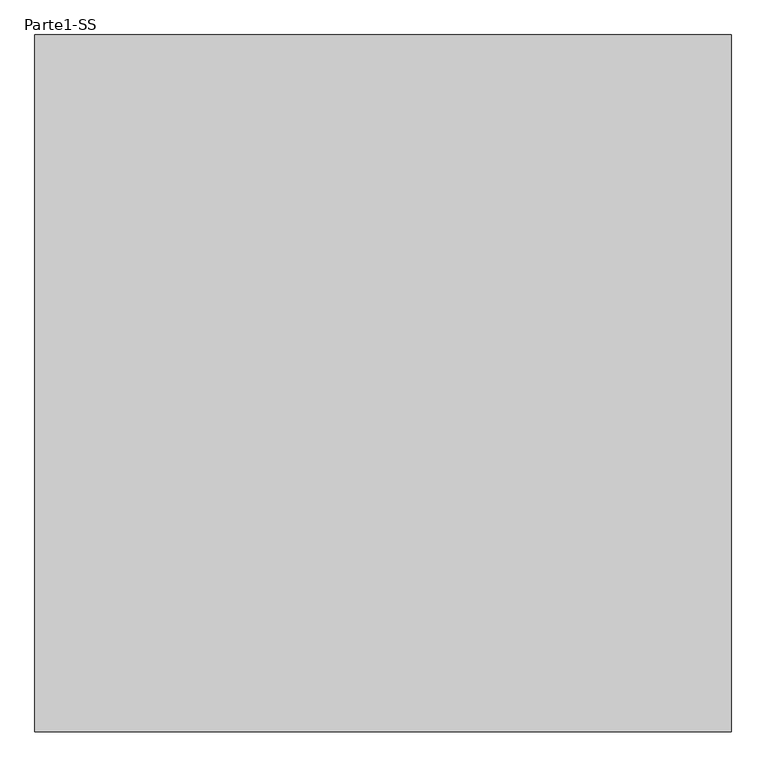
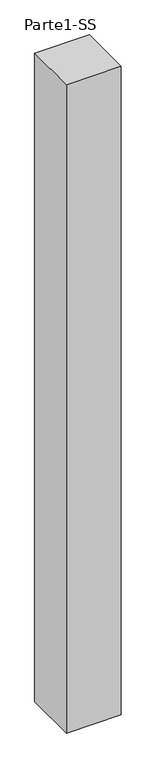
"""IFC4 building model written with IfcOpenShell, lengths in millimetres: proxy geometry, Parte1-SS."""

from ifc_helpers import new_model, si_unit, frame, origin, place, context, project, spatial, polyline, outline, extrude, source, transform, mapped, element, save


def parte1_ss_283a22fb(model_context):
    return source(origin(), model_context, "Body", "SweptSolid", [
        extrude(outline(polyline([(2000.0, 2000.0), (2000.0, 0.0), (0.0, 0.0), (0.0, 2000.0), (2000.0, 2000.0)])), frame((0.0, 0.0, 25000.0), z_axis=(0.0, 0.0, 1.0), x_axis=(1.0, 0.0, 0.0)), (0.0, 0.0, 1.0), 25000.0),
    ])


if __name__ == "__main__":
    model = new_model("IFC4")
    model_context = context("Model", 3, world=origin())
    ifc_project = project(units=[si_unit("LENGTHUNIT", "METRE", prefix="MILLI")], contexts=[model_context])
    site = spatial("IfcSite", under=ifc_project)
    building = spatial("IfcBuilding", under=site)
    placement = place(None, origin())
    parte1_ss_shape = parte1_ss_283a22fb(model_context)
    element("IfcBuildingElementProxy", 1, Name="Parte1-SS", ObjectType="Parte1-SS", at=placement, inside=building, context=model_context, shape_type="MappedRepresentation", body=[
        mapped(parte1_ss_shape, transform((0.0, 0.0, 0.0), x_axis=(1.0, 0.0, 0.0), y_axis=(0.0, 1.0, 0.0), z_axis=(0.0, 0.0, 1.0))),
    ])
    save(model, "model.ifc")
